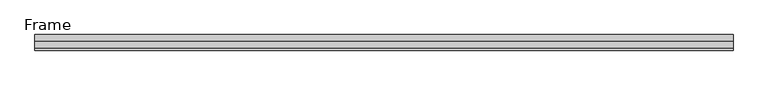
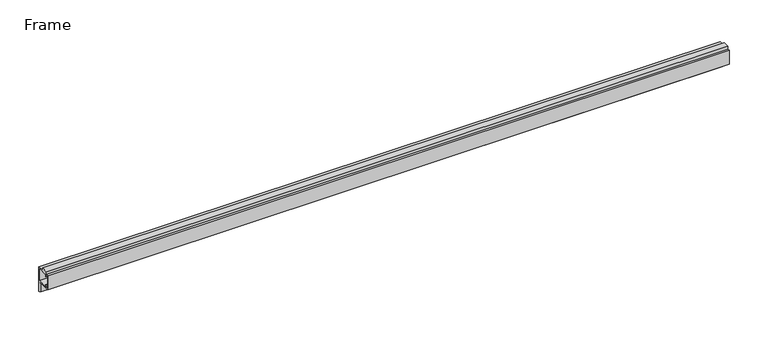
"""IFC4 building model written with IfcOpenShell, lengths in millimetres: proxy geometry, Frame."""

import ifcopenshell
import ifcopenshell.guid

model = None  # the IFC model being written
_history = None  # IfcOwnerHistory: only IFC2X3 demands one
_inside = {}  # id of a spatial element -> (the spatial element, [elements in it])
_under = {}  # id of a project, library or spatial element -> (it, [spatial elements below it])
_declared = {}  # id of a project -> (the project, [libraries it declares])
_typed = {}  # id of a type object -> (the type object, [elements of that type])
_made_of = {}  # id of a material, layer set ... -> (it, [elements and type objects made of it])


def new_model(schema):
    """Start an empty IFC model of exactly this schema.

    Asked for "IFC4X3", IfcOpenShell would pick the latest addendum, in which some entities
    have other attributes; the version numbers below select the first issue.
    IFC2X3 requires an IfcOwnerHistory on every rooted entity: one is made here for all.
    """
    global model, _history
    if schema == "IFC4X3":
        model = ifcopenshell.file(schema_version=(4, 3, 0, 0))
    else:
        model = ifcopenshell.file(schema=schema)
    _inside.clear()
    _under.clear()
    _declared.clear()
    _typed.clear()
    _made_of.clear()
    _history = None
    if model.schema == "IFC2X3":
        org = make("IfcOrganization", Name="unknown")
        user = make(
            "IfcPersonAndOrganization",
            ThePerson=make("IfcPerson", FamilyName="unknown"),
            TheOrganization=org,
        )
        app = make(
            "IfcApplication",
            ApplicationDeveloper=org,
            Version="unknown",
            ApplicationFullName="unknown",
            ApplicationIdentifier="unknown",
        )
        _history = make(
            "IfcOwnerHistory",
            OwningUser=user,
            OwningApplication=app,
            ChangeAction="ADDED",
            CreationDate=0,
        )
    return model


def make(cls, **values):
    """One entity of the class cls with the attributes given. An attribute that is None is left unset."""
    return model.create_entity(
        cls, **{name: value for name, value in values.items() if value is not None}
    )


def rooted(cls, **values):
    """An entity with a GlobalId (a new one), such as an element, a storey or a relation."""
    return make(cls, GlobalId=ifcopenshell.guid.new(), OwnerHistory=_history, **values)


def si_unit(unit_type, name, prefix=None):
    """IfcSIUnit, for example si_unit("LENGTHUNIT", "METRE", prefix="MILLI")."""
    return make("IfcSIUnit", UnitType=unit_type, Prefix=prefix, Name=name)


def assignment(units):
    """IfcUnitAssignment: the units of a project."""
    return None if units is None else make("IfcUnitAssignment", Units=units)


def point(xyz):
    """IfcCartesianPoint."""
    return None if xyz is None else make("IfcCartesianPoint", Coordinates=xyz)


def direction(xyz):
    """IfcDirection."""
    return None if xyz is None else make("IfcDirection", DirectionRatios=xyz)


def frame(location, z_axis=None, x_axis=None):
    """IfcAxis2Placement3D, a coordinate frame: its origin and axes. An axis left out is left unset."""
    return make(
        "IfcAxis2Placement3D",
        Location=point(location),
        Axis=direction(z_axis),
        RefDirection=direction(x_axis),
    )


def origin():
    """The frame at (0, 0, 0) with its axes left unset."""
    return frame((0.0, 0.0, 0.0))


def place(relative_to, where):
    """IfcLocalPlacement: puts the frame where relative to a parent placement (None: the world)."""
    return make(
        "IfcLocalPlacement", PlacementRelTo=relative_to, RelativePlacement=where
    )


def context(
    kind, dimensions, precision=None, world=None, true_north=None, identifier=None
):
    """IfcGeometricRepresentationContext, for example the 3D "Model" context."""
    return make(
        "IfcGeometricRepresentationContext",
        ContextIdentifier=identifier,
        ContextType=kind,
        CoordinateSpaceDimension=dimensions,
        Precision=precision,
        WorldCoordinateSystem=world,
        TrueNorth=true_north,
    )


def project(units=None, contexts=None):
    """IfcProject with its units and contexts."""
    return rooted(
        "IfcProject",
        Name="project",
        RepresentationContexts=contexts,
        UnitsInContext=assignment(units),
    )


def spatial(cls, under=None, at=None, **own):
    """A site, building, storey or space (cls), placed at a placement, below another one or the project."""
    s = rooted(cls, ObjectPlacement=at, **own)
    if under is not None:
        _under.setdefault(under.id(), (under, []))[1].append(s)
    return s


def polyline(points):
    """IfcPolyline through the points."""
    return make("IfcPolyline", Points=[point(p) for p in points])


def outline(outer, holes=None, kind="AREA"):
    """IfcArbitraryClosedProfileDef: a profile drawn as a closed curve; with holes, ...WithVoids."""
    if holes is None:
        return make("IfcArbitraryClosedProfileDef", ProfileType=kind, OuterCurve=outer)
    return make(
        "IfcArbitraryProfileDefWithVoids",
        ProfileType=kind,
        OuterCurve=outer,
        InnerCurves=holes,
    )


def extrude(swept, where, along, depth):
    """IfcExtrudedAreaSolid: the profile swept, set in the frame where, extruded along a direction by depth."""
    return make(
        "IfcExtrudedAreaSolid",
        SweptArea=swept,
        Position=where,
        ExtrudedDirection=direction(along),
        Depth=depth,
    )


def shape(context_of_items, identifier, shape_type, items):
    """IfcShapeRepresentation: the items that make up one representation, for example the "Body"."""
    return make(
        "IfcShapeRepresentation",
        ContextOfItems=context_of_items,
        RepresentationIdentifier=identifier,
        RepresentationType=shape_type,
        Items=items,
    )


def source(mapping_origin, context_of_items, identifier, shape_type, items):
    """IfcRepresentationMap: a shape defined once, which mapped items show again and again."""
    return make(
        "IfcRepresentationMap",
        MappingOrigin=mapping_origin,
        MappedRepresentation=shape(context_of_items, identifier, shape_type, items),
    )


def transform(
    local_origin,
    x_axis=None,
    y_axis=None,
    z_axis=None,
    scale=None,
    scale2=None,
    scale3=None,
    uniform=True,
):
    """IfcCartesianTransformationOperator3D, or its non-uniform kind. x_axis, y_axis, z_axis: its Axis1, 2, 3."""
    if uniform:
        return make(
            "IfcCartesianTransformationOperator3D",
            Axis1=direction(x_axis),
            Axis2=direction(y_axis),
            LocalOrigin=point(local_origin),
            Scale=scale,
            Axis3=direction(z_axis),
        )
    return make(
        "IfcCartesianTransformationOperator3DnonUniform",
        Axis1=direction(x_axis),
        Axis2=direction(y_axis),
        LocalOrigin=point(local_origin),
        Scale=scale,
        Axis3=direction(z_axis),
        Scale2=scale2,
        Scale3=scale3,
    )


def mapped(mapping_source, mapping_target):
    """IfcMappedItem: shows the shape of a source again, moved by a transform."""
    return make(
        "IfcMappedItem", MappingSource=mapping_source, MappingTarget=mapping_target
    )


def made_of(thing, what):
    """Note that an element or type object is made of a material, layer set ...; save() writes the relation."""
    if what is not None:
        _made_of.setdefault(what.id(), (what, []))[1].append(thing)
    return thing


def element(
    cls,
    number,
    at=None,
    inside=None,
    cuts=None,
    type_object=None,
    material=None,
    context=None,
    identifier="Body",
    shape_type=None,
    held_by="IfcProductDefinitionShape",
    body=None,
    shapes=None,
    **own,
):
    """One element of the class cls, such as IfcWall. Its Tag is "e" and its number.

    at: its placement. inside: the storey or other place that contains it. cuts: it is an
    opening in that element (IfcRelVoidsElement). A single representation is given by context,
    identifier, shape_type and body (its items); several are given by shapes. held_by: the class
    of the entity that holds the representations. save() writes the other relations.
    """
    e = rooted(cls, Tag="e%d" % number, ObjectPlacement=at, **own)
    if body is not None:
        shapes = [shape(context, identifier, shape_type, body)]
    if shapes is not None:
        e.Representation = make(held_by, Representations=shapes)
    if inside is not None:
        _inside.setdefault(inside.id(), (inside, []))[1].append(e)
    if cuts is not None:
        rooted(
            "IfcRelVoidsElement", RelatingBuildingElement=cuts, RelatedOpeningElement=e
        )
    if type_object is not None:
        _typed.setdefault(type_object.id(), (type_object, []))[1].append(e)
    return made_of(e, material)


def aggregate(whole, parts):
    """IfcRelAggregates: a whole, such as a stair, and the parts it consists of."""
    return rooted("IfcRelAggregates", RelatingObject=whole, RelatedObjects=parts)


def save(model, path):
    """Write the relations noted so far, then the file.

    IfcRelAggregates (storeys below a building ...), IfcRelContainedInSpatialStructure (elements
    in a storey), IfcRelDefinesByType, IfcRelAssociatesMaterial and IfcRelDeclares: one each for
    every whole, place, type object, material and project.
    """
    for whole, parts in _under.values():
        aggregate(whole, parts)
    for where, things in _inside.values():
        rooted(
            "IfcRelContainedInSpatialStructure",
            RelatedElements=things,
            RelatingStructure=where,
        )
    for kind, things in _typed.values():
        rooted("IfcRelDefinesByType", RelatedObjects=things, RelatingType=kind)
    for what, things in _made_of.values():
        rooted("IfcRelAssociatesMaterial", RelatedObjects=things, RelatingMaterial=what)
    for by, libraries in _declared.values():
        rooted("IfcRelDeclares", RelatingContext=by, RelatedDefinitions=libraries)
    model.write(path)


def frame_01bd97ac(model_context):
    return source(origin(), model_context, "Body", "SweptSolid", [
        extrude(outline(polyline([(-107.3195987, 42.5140437), (-107.3195987, 38.2468437), (-97.7166407, 38.2468437), (-97.7166407, 0.0), (-99.3676407, 0.0), (-99.3676407, 1.7343437), (-102.5426407, 1.7343437), (-102.5426407, 14.4343437), (-99.3676407, 14.4343437), (-99.3676407, 16.0218437), (-120.3675987, 16.0218437), (-120.3675987, 38.2468437), (-117.3195987, 38.2468437), (-117.3195987, 42.5140437), (-107.3195987, 42.5140437)]), holes=[polyline([(-114.3985987, 36.0878437), (-114.3985987, 33.2938437), (-116.0495987, 33.2938437), (-116.0495987, 36.0878437), (-118.7165987, 36.0878437), (-118.7165987, 17.6728437), (-116.0495987, 17.6728437), (-116.0495987, 20.4668437), (-114.3985987, 20.4668437), (-114.3985987, 17.6728437), (-99.3676407, 17.6728437), (-99.3676407, 36.0878437), (-114.3985987, 36.0878437)])]), frame((-161.8809653, 0.0, 0.0), z_axis=(1.0, 0.0, 0.0), x_axis=(0.0, 1.0, 0.0)), (0.0, 0.0, 1.0), 1012.2408),
    ])


if __name__ == "__main__":
    model = new_model("IFC4")
    model_context = context("Model", 3, world=origin())
    ifc_project = project(units=[si_unit("LENGTHUNIT", "METRE", prefix="MILLI")], contexts=[model_context])
    site = spatial("IfcSite", under=ifc_project)
    building = spatial("IfcBuilding", under=site)
    placement = place(None, origin())
    ifc_frame_shape = frame_01bd97ac(model_context)
    element("IfcBuildingElementProxy", 1, Name="Frame", ObjectType="Frame", at=placement, inside=building, context=model_context, shape_type="MappedRepresentation", body=[
        mapped(ifc_frame_shape, transform((0.0, 0.0, 0.0), x_axis=(1.0, 0.0, 0.0), y_axis=(0.0, 1.0, 0.0), z_axis=(0.0, 0.0, 1.0))),
    ])
    save(model, "model.ifc")
